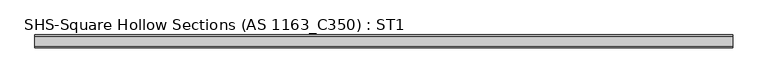
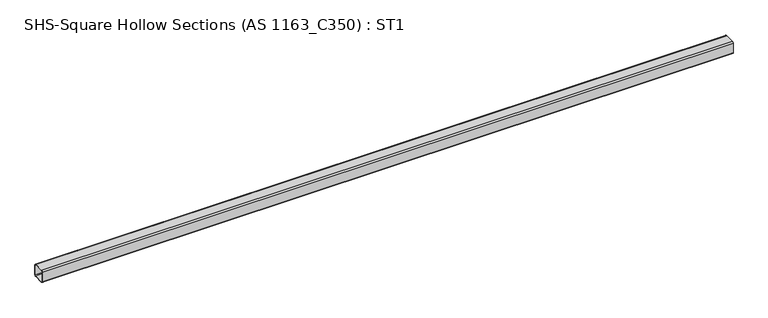
"""IFC4 building model written with IfcOpenShell, lengths in millimetres: beam geometry, SHS-Square Hollow Sections (AS 1163_C350) : ST1."""

import ifcopenshell
import ifcopenshell.guid

model = None  # the IFC model being written
_history = None  # IfcOwnerHistory: only IFC2X3 demands one
_inside = {}  # id of a spatial element -> (the spatial element, [elements in it])
_under = {}  # id of a project, library or spatial element -> (it, [spatial elements below it])
_declared = {}  # id of a project -> (the project, [libraries it declares])
_typed = {}  # id of a type object -> (the type object, [elements of that type])
_made_of = {}  # id of a material, layer set ... -> (it, [elements and type objects made of it])


def new_model(schema):
    """Start an empty IFC model of exactly this schema.

    Asked for "IFC4X3", IfcOpenShell would pick the latest addendum, in which some entities
    have other attributes; the version numbers below select the first issue.
    IFC2X3 requires an IfcOwnerHistory on every rooted entity: one is made here for all.
    """
    global model, _history
    if schema == "IFC4X3":
        model = ifcopenshell.file(schema_version=(4, 3, 0, 0))
    else:
        model = ifcopenshell.file(schema=schema)
    _inside.clear()
    _under.clear()
    _declared.clear()
    _typed.clear()
    _made_of.clear()
    _history = None
    if model.schema == "IFC2X3":
        org = make("IfcOrganization", Name="unknown")
        user = make(
            "IfcPersonAndOrganization",
            ThePerson=make("IfcPerson", FamilyName="unknown"),
            TheOrganization=org,
        )
        app = make(
            "IfcApplication",
            ApplicationDeveloper=org,
            Version="unknown",
            ApplicationFullName="unknown",
            ApplicationIdentifier="unknown",
        )
        _history = make(
            "IfcOwnerHistory",
            OwningUser=user,
            OwningApplication=app,
            ChangeAction="ADDED",
            CreationDate=0,
        )
    return model


def make(cls, **values):
    """One entity of the class cls with the attributes given. An attribute that is None is left unset."""
    return model.create_entity(
        cls, **{name: value for name, value in values.items() if value is not None}
    )


def rooted(cls, **values):
    """An entity with a GlobalId (a new one), such as an element, a storey or a relation."""
    return make(cls, GlobalId=ifcopenshell.guid.new(), OwnerHistory=_history, **values)


def si_unit(unit_type, name, prefix=None):
    """IfcSIUnit, for example si_unit("LENGTHUNIT", "METRE", prefix="MILLI")."""
    return make("IfcSIUnit", UnitType=unit_type, Prefix=prefix, Name=name)


def assignment(units):
    """IfcUnitAssignment: the units of a project."""
    return None if units is None else make("IfcUnitAssignment", Units=units)


def point(xyz):
    """IfcCartesianPoint."""
    return None if xyz is None else make("IfcCartesianPoint", Coordinates=xyz)


def direction(xyz):
    """IfcDirection."""
    return None if xyz is None else make("IfcDirection", DirectionRatios=xyz)


def frame(location, z_axis=None, x_axis=None):
    """IfcAxis2Placement3D, a coordinate frame: its origin and axes. An axis left out is left unset."""
    return make(
        "IfcAxis2Placement3D",
        Location=point(location),
        Axis=direction(z_axis),
        RefDirection=direction(x_axis),
    )


def frame_2d(location, x_axis=None):
    """IfcAxis2Placement2D, a coordinate frame in the plane: its origin and x axis."""
    return make(
        "IfcAxis2Placement2D", Location=point(location), RefDirection=direction(x_axis)
    )


def origin():
    """The frame at (0, 0, 0) with its axes left unset."""
    return frame((0.0, 0.0, 0.0))


def place(relative_to, where):
    """IfcLocalPlacement: puts the frame where relative to a parent placement (None: the world)."""
    return make(
        "IfcLocalPlacement", PlacementRelTo=relative_to, RelativePlacement=where
    )


def context(
    kind, dimensions, precision=None, world=None, true_north=None, identifier=None
):
    """IfcGeometricRepresentationContext, for example the 3D "Model" context."""
    return make(
        "IfcGeometricRepresentationContext",
        ContextIdentifier=identifier,
        ContextType=kind,
        CoordinateSpaceDimension=dimensions,
        Precision=precision,
        WorldCoordinateSystem=world,
        TrueNorth=true_north,
    )


def project(units=None, contexts=None):
    """IfcProject with its units and contexts."""
    return rooted(
        "IfcProject",
        Name="project",
        RepresentationContexts=contexts,
        UnitsInContext=assignment(units),
    )


def spatial(cls, under=None, at=None, **own):
    """A site, building, storey or space (cls), placed at a placement, below another one or the project."""
    s = rooted(cls, ObjectPlacement=at, **own)
    if under is not None:
        _under.setdefault(under.id(), (under, []))[1].append(s)
    return s


def polyline(points):
    """IfcPolyline through the points."""
    return make("IfcPolyline", Points=[point(p) for p in points])


def circle_curve(where, radius):
    """IfcCircle in the frame where."""
    return make("IfcCircle", Position=where, Radius=radius)


def trimmed(basis, trim1, trim2, sense, master):
    """IfcTrimmedCurve: the piece of a basis curve between two trims."""
    return make(
        "IfcTrimmedCurve",
        BasisCurve=basis,
        Trim1=trim1,
        Trim2=trim2,
        SenseAgreement=sense,
        MasterRepresentation=master,
    )


def segment(curve, same_sense, transition):
    """IfcCompositeCurveSegment."""
    return make(
        "IfcCompositeCurveSegment",
        Transition=transition,
        SameSense=same_sense,
        ParentCurve=curve,
    )


def composite_curve(segments, self_intersect=None):
    """IfcCompositeCurve: segments joined end to end."""
    return make("IfcCompositeCurve", Segments=segments, SelfIntersect=self_intersect)


def outline(outer, holes=None, kind="AREA"):
    """IfcArbitraryClosedProfileDef: a profile drawn as a closed curve; with holes, ...WithVoids."""
    if holes is None:
        return make("IfcArbitraryClosedProfileDef", ProfileType=kind, OuterCurve=outer)
    return make(
        "IfcArbitraryProfileDefWithVoids",
        ProfileType=kind,
        OuterCurve=outer,
        InnerCurves=holes,
    )


def extrude(swept, where, along, depth):
    """IfcExtrudedAreaSolid: the profile swept, set in the frame where, extruded along a direction by depth."""
    return make(
        "IfcExtrudedAreaSolid",
        SweptArea=swept,
        Position=where,
        ExtrudedDirection=direction(along),
        Depth=depth,
    )


def shape(context_of_items, identifier, shape_type, items):
    """IfcShapeRepresentation: the items that make up one representation, for example the "Body"."""
    return make(
        "IfcShapeRepresentation",
        ContextOfItems=context_of_items,
        RepresentationIdentifier=identifier,
        RepresentationType=shape_type,
        Items=items,
    )


def source(mapping_origin, context_of_items, identifier, shape_type, items):
    """IfcRepresentationMap: a shape defined once, which mapped items show again and again."""
    return make(
        "IfcRepresentationMap",
        MappingOrigin=mapping_origin,
        MappedRepresentation=shape(context_of_items, identifier, shape_type, items),
    )


def transform(
    local_origin,
    x_axis=None,
    y_axis=None,
    z_axis=None,
    scale=None,
    scale2=None,
    scale3=None,
    uniform=True,
):
    """IfcCartesianTransformationOperator3D, or its non-uniform kind. x_axis, y_axis, z_axis: its Axis1, 2, 3."""
    if uniform:
        return make(
            "IfcCartesianTransformationOperator3D",
            Axis1=direction(x_axis),
            Axis2=direction(y_axis),
            LocalOrigin=point(local_origin),
            Scale=scale,
            Axis3=direction(z_axis),
        )
    return make(
        "IfcCartesianTransformationOperator3DnonUniform",
        Axis1=direction(x_axis),
        Axis2=direction(y_axis),
        LocalOrigin=point(local_origin),
        Scale=scale,
        Axis3=direction(z_axis),
        Scale2=scale2,
        Scale3=scale3,
    )


def mapped(mapping_source, mapping_target):
    """IfcMappedItem: shows the shape of a source again, moved by a transform."""
    return make(
        "IfcMappedItem", MappingSource=mapping_source, MappingTarget=mapping_target
    )


def made_of(thing, what):
    """Note that an element or type object is made of a material, layer set ...; save() writes the relation."""
    if what is not None:
        _made_of.setdefault(what.id(), (what, []))[1].append(thing)
    return thing


def element(
    cls,
    number,
    at=None,
    inside=None,
    cuts=None,
    type_object=None,
    material=None,
    context=None,
    identifier="Body",
    shape_type=None,
    held_by="IfcProductDefinitionShape",
    body=None,
    shapes=None,
    **own,
):
    """One element of the class cls, such as IfcWall. Its Tag is "e" and its number.

    at: its placement. inside: the storey or other place that contains it. cuts: it is an
    opening in that element (IfcRelVoidsElement). A single representation is given by context,
    identifier, shape_type and body (its items); several are given by shapes. held_by: the class
    of the entity that holds the representations. save() writes the other relations.
    """
    e = rooted(cls, Tag="e%d" % number, ObjectPlacement=at, **own)
    if body is not None:
        shapes = [shape(context, identifier, shape_type, body)]
    if shapes is not None:
        e.Representation = make(held_by, Representations=shapes)
    if inside is not None:
        _inside.setdefault(inside.id(), (inside, []))[1].append(e)
    if cuts is not None:
        rooted(
            "IfcRelVoidsElement", RelatingBuildingElement=cuts, RelatedOpeningElement=e
        )
    if type_object is not None:
        _typed.setdefault(type_object.id(), (type_object, []))[1].append(e)
    return made_of(e, material)


def aggregate(whole, parts):
    """IfcRelAggregates: a whole, such as a stair, and the parts it consists of."""
    return rooted("IfcRelAggregates", RelatingObject=whole, RelatedObjects=parts)


def save(model, path):
    """Write the relations noted so far, then the file.

    IfcRelAggregates (storeys below a building ...), IfcRelContainedInSpatialStructure (elements
    in a storey), IfcRelDefinesByType, IfcRelAssociatesMaterial and IfcRelDeclares: one each for
    every whole, place, type object, material and project.
    """
    for whole, parts in _under.values():
        aggregate(whole, parts)
    for where, things in _inside.values():
        rooted(
            "IfcRelContainedInSpatialStructure",
            RelatedElements=things,
            RelatingStructure=where,
        )
    for kind, things in _typed.values():
        rooted("IfcRelDefinesByType", RelatedObjects=things, RelatingType=kind)
    for what, things in _made_of.values():
        rooted("IfcRelAssociatesMaterial", RelatedObjects=things, RelatingMaterial=what)
    for by, libraries in _declared.values():
        rooted("IfcRelDeclares", RelatingContext=by, RelatedDefinitions=libraries)
    model.write(path)


def shs_square_hollow_sections_as_1163_c350_st1_9b159651(model_context):
    return source(origin(), model_context, "Body", "SweptSolid", [
        extrude(outline(composite_curve([segment(polyline([(50.0, 40.0), (50.0, -40.0)]), True, "CONTINUOUS"), segment(trimmed(circle_curve(frame_2d((40.0, -40.0)), 10.0), [point((50.0, -40.0))], [point((40.0, -50.0))], False, "CARTESIAN"), True, "CONTINUOUS"), segment(polyline([(40.0, -50.0), (-40.0, -50.0)]), True, "CONTINUOUS"), segment(trimmed(circle_curve(frame_2d((-40.0, -40.0)), 10.0), [point((-40.0, -50.0))], [point((-50.0, -40.0))], False, "CARTESIAN"), True, "CONTINUOUS"), segment(polyline([(-50.0, -40.0), (-50.0, 40.0)]), True, "CONTINUOUS"), segment(trimmed(circle_curve(frame_2d((-40.0, 40.0)), 10.0), [point((-50.0, 40.0))], [point((-40.0, 50.0))], False, "CARTESIAN"), True, "CONTINUOUS"), segment(polyline([(-40.0, 50.0), (40.0, 50.0)]), True, "CONTINUOUS"), segment(trimmed(circle_curve(frame_2d((40.0, 40.0)), 10.0), [point((40.0, 50.0))], [point((50.0, 40.0))], False, "CARTESIAN"), True, "CONTINUOUS")], self_intersect=False), holes=[composite_curve([segment(trimmed(circle_curve(frame_2d((-40.0, 40.0)), 6.0), [point((-40.0, 46.0))], [point((-46.0, 40.0))], True, "CARTESIAN"), True, "CONTINUOUS"), segment(polyline([(-46.0, 40.0), (-46.0, -40.0)]), True, "CONTINUOUS"), segment(trimmed(circle_curve(frame_2d((-40.0, -40.0)), 6.0), [point((-46.0, -40.0))], [point((-40.0, -46.0))], True, "CARTESIAN"), True, "CONTINUOUS"), segment(polyline([(-40.0, -46.0), (40.0, -46.0)]), True, "CONTINUOUS"), segment(trimmed(circle_curve(frame_2d((40.0, -40.0)), 6.0), [point((40.0, -46.0))], [point((46.0, -40.0))], True, "CARTESIAN"), True, "CONTINUOUS"), segment(polyline([(46.0, -40.0), (46.0, 40.0)]), True, "CONTINUOUS"), segment(trimmed(circle_curve(frame_2d((40.0, 40.0)), 6.0), [point((46.0, 40.0))], [point((40.0, 46.0))], True, "CARTESIAN"), True, "CONTINUOUS"), segment(polyline([(40.0, 46.0), (-40.0, 46.0)]), True, "CONTINUOUS")], self_intersect=False)]), frame((-2747.85, 0.0, 0.0), z_axis=(1.0, 0.0, 0.0), x_axis=(0.0, 1.0, 0.0)), (0.0, 0.0, 1.0), 5496.8),
    ])


if __name__ == "__main__":
    model = new_model("IFC4")
    model_context = context("Model", 3, world=origin())
    ifc_project = project(units=[si_unit("LENGTHUNIT", "METRE", prefix="MILLI")], contexts=[model_context])
    site = spatial("IfcSite", under=ifc_project)
    building = spatial("IfcBuilding", under=site)
    placement = place(None, origin())
    shs_square_hollow_sections_as_1163_c350_st1_shape = shs_square_hollow_sections_as_1163_c350_st1_9b159651(model_context)
    element("IfcBeam", 1, ObjectType="SHS-Square Hollow Sections (AS 1163_C350) : ST1", at=placement, inside=building, context=model_context, shape_type="MappedRepresentation", body=[
        mapped(shs_square_hollow_sections_as_1163_c350_st1_shape, transform((0.0, 0.0, 0.0), x_axis=(1.0, 0.0, 0.0), y_axis=(0.0, 1.0, 0.0), z_axis=(0.0, 0.0, 1.0))),
    ])
    save(model, "model.ifc")
